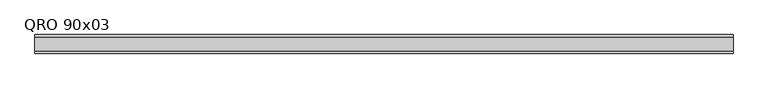
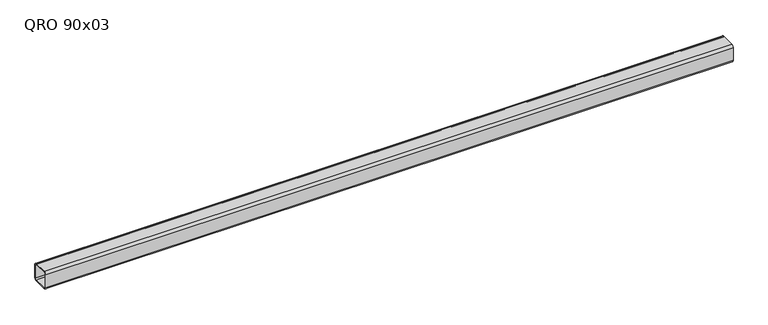
"""IFC4 building model written with IfcOpenShell, lengths in millimetres: beam geometry, QRO 90x03."""

from ifc_helpers import new_model, si_unit, point, frame, frame_2d, origin, place, context, project, spatial, polyline, circle_curve, trimmed, segment, composite_curve, outline, extrude, source, transform, mapped, element, save


def qro_90x03_93943381(model_context):
    return source(origin(), model_context, "Body", "SweptSolid", [
        extrude(outline(composite_curve([segment(polyline([(45.0, 33.0), (45.0, -33.0)]), True, "CONTINUOUS"), segment(trimmed(circle_curve(frame_2d((33.0, -33.0)), 12.0), [point((45.0, -33.0))], [point((33.0, -45.0))], False, "CARTESIAN"), True, "CONTINUOUS"), segment(polyline([(33.0, -45.0), (-33.0, -45.0)]), True, "CONTINUOUS"), segment(trimmed(circle_curve(frame_2d((-33.0, -33.0)), 12.0), [point((-33.0, -45.0))], [point((-45.0, -33.0))], False, "CARTESIAN"), True, "CONTINUOUS"), segment(polyline([(-45.0, -33.0), (-45.0, 33.0)]), True, "CONTINUOUS"), segment(trimmed(circle_curve(frame_2d((-33.0, 33.0)), 12.0), [point((-45.0, 33.0))], [point((-33.0, 45.0))], False, "CARTESIAN"), True, "CONTINUOUS"), segment(polyline([(-33.0, 45.0), (33.0, 45.0)]), True, "CONTINUOUS"), segment(trimmed(circle_curve(frame_2d((33.0, 33.0)), 12.0), [point((33.0, 45.0))], [point((45.0, 33.0))], False, "CARTESIAN"), True, "CONTINUOUS")], self_intersect=False), holes=[composite_curve([segment(trimmed(circle_curve(frame_2d((-33.0, 33.0)), 6.0), [point((-33.0, 39.0))], [point((-39.0, 33.0))], True, "CARTESIAN"), True, "CONTINUOUS"), segment(polyline([(-39.0, 33.0), (-39.0, -33.0)]), True, "CONTINUOUS"), segment(trimmed(circle_curve(frame_2d((-33.0, -33.0)), 6.0), [point((-39.0, -33.0))], [point((-33.0, -39.0))], True, "CARTESIAN"), True, "CONTINUOUS"), segment(polyline([(-33.0, -39.0), (33.0, -39.0)]), True, "CONTINUOUS"), segment(trimmed(circle_curve(frame_2d((33.0, -33.0)), 6.0), [point((33.0, -39.0))], [point((39.0, -33.0))], True, "CARTESIAN"), True, "CONTINUOUS"), segment(polyline([(39.0, -33.0), (39.0, 33.0)]), True, "CONTINUOUS"), segment(trimmed(circle_curve(frame_2d((33.0, 33.0)), 6.0), [point((39.0, 33.0))], [point((33.0, 39.0))], True, "CARTESIAN"), True, "CONTINUOUS"), segment(polyline([(33.0, 39.0), (-33.0, 39.0)]), True, "CONTINUOUS")], self_intersect=False)]), frame((-1721.6976898, 0.0, 0.0), z_axis=(1.0, 0.0, 0.0), x_axis=(0.0, 1.0, 0.0)), (0.0, 0.0, 1.0), 3379.450604),
    ])


if __name__ == "__main__":
    model = new_model("IFC4")
    model_context = context("Model", 3, world=origin())
    ifc_project = project(units=[si_unit("LENGTHUNIT", "METRE", prefix="MILLI")], contexts=[model_context])
    site = spatial("IfcSite", under=ifc_project)
    building = spatial("IfcBuilding", under=site)
    placement = place(None, origin())
    qro_90x03_shape = qro_90x03_93943381(model_context)
    element("IfcBeam", 1, ObjectType="QRO 90x03", at=placement, inside=building, context=model_context, shape_type="MappedRepresentation", body=[
        mapped(qro_90x03_shape, transform((0.0, 0.0, 0.0), x_axis=(1.0, 0.0, 0.0), y_axis=(0.0, 1.0, 0.0), z_axis=(0.0, 0.0, 1.0))),
    ])
    save(model, "model.ifc")
